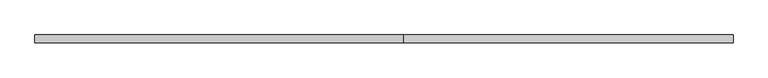
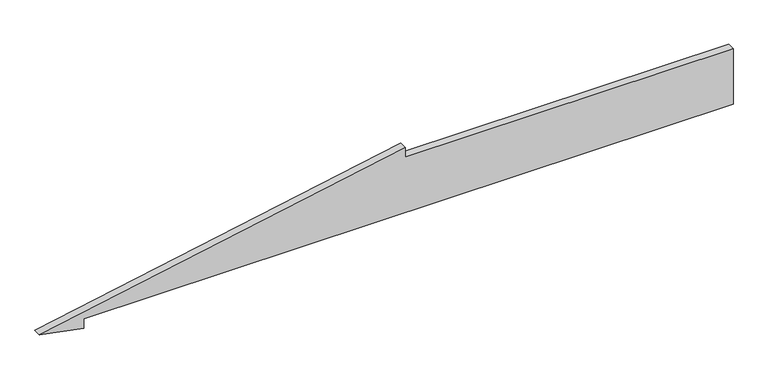
"""IFC4 building model written with IfcOpenShell, lengths in millimetres: plate geometry."""

from ifc_helpers import new_model, si_unit, frame, origin, place, context, project, spatial, polyline, outline, extrude, source, transform, mapped, element, save


def plate_90316453(model_context):
    return source(origin(), model_context, "Body", "SweptSolid", [
        extrude(outline(polyline([(21.7019831, -883.2101263), (0.0, -769.7679419), (25.0, -769.7679419), (25.0, 883.2101263), (175.0, 883.2101263), (175.0, 48.8022349), (200.0, 48.8022349), (21.7019831, -883.2101263)])), frame((0.0, 20.0, 0.0), z_axis=(0.0, 1.0, 0.0), x_axis=(0.0, 0.0, 1.0)), (0.0, 0.0, 1.0), 20.0),
    ])


if __name__ == "__main__":
    model = new_model("IFC4")
    model_context = context("Model", 3, world=origin())
    ifc_project = project(units=[si_unit("LENGTHUNIT", "METRE", prefix="MILLI")], contexts=[model_context])
    site = spatial("IfcSite", under=ifc_project)
    building = spatial("IfcBuilding", under=site)
    placement = place(None, origin())
    plate_shape = plate_90316453(model_context)
    element("IfcPlate", 1, at=placement, inside=building, context=model_context, shape_type="MappedRepresentation", body=[
        mapped(plate_shape, transform((0.0, 0.0, 0.0), x_axis=(1.0, 0.0, 0.0), y_axis=(0.0, 1.0, 0.0), z_axis=(0.0, 0.0, 1.0))),
    ])
    save(model, "model.ifc")
